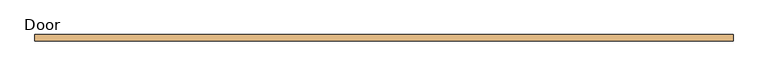
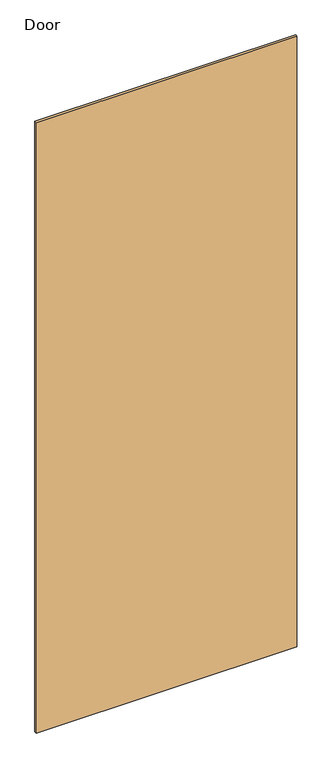
"""IFC4 building model written with IfcOpenShell, lengths in millimetres: door geometry, Door."""

from ifc_helpers import new_model, si_unit, origin, origin_with_axes, place, context, project, spatial, polyline, outline, extrude, source, transform, mapped, element, save


def door_146915fd(model_context):
    return source(origin(), model_context, "Body", "SweptSolid", [
        extrude(outline(polyline([(562.5834031, 3.9945157), (562.5834031, -5.5304843), (-502.6290969, -5.5304843), (-502.6290969, 3.9945157), (562.5834031, 3.9945157)])), origin_with_axes(), (0.0, 0.0, 1.0), 2638.425),
    ])


if __name__ == "__main__":
    model = new_model("IFC4")
    model_context = context("Model", 3, world=origin())
    ifc_project = project(units=[si_unit("LENGTHUNIT", "METRE", prefix="MILLI")], contexts=[model_context])
    site = spatial("IfcSite", under=ifc_project)
    building = spatial("IfcBuilding", under=site)
    placement = place(None, origin())
    door_shape = door_146915fd(model_context)
    element("IfcDoor", 1, ObjectType="Door", at=placement, inside=building, context=model_context, shape_type="MappedRepresentation", body=[
        mapped(door_shape, transform((0.0, 0.0, 0.0), x_axis=(1.0, 0.0, 0.0), y_axis=(0.0, 1.0, 0.0), z_axis=(0.0, 0.0, 1.0))),
    ])
    save(model, "model.ifc")
